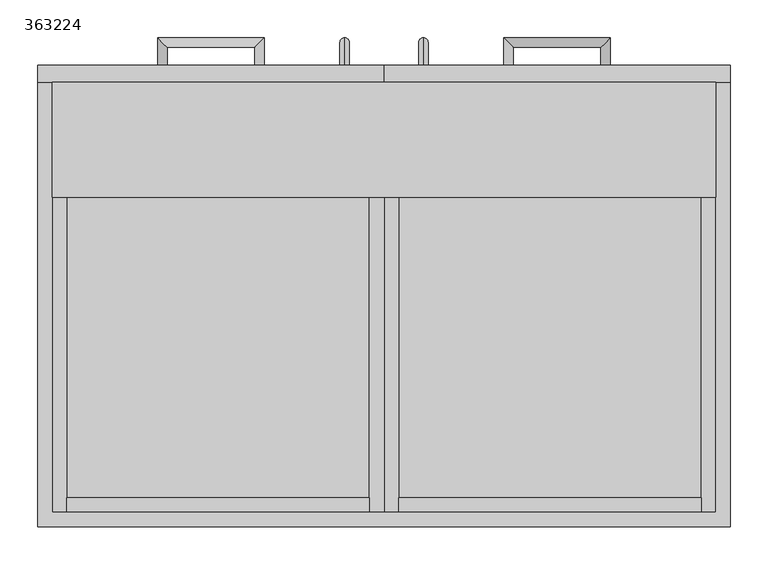
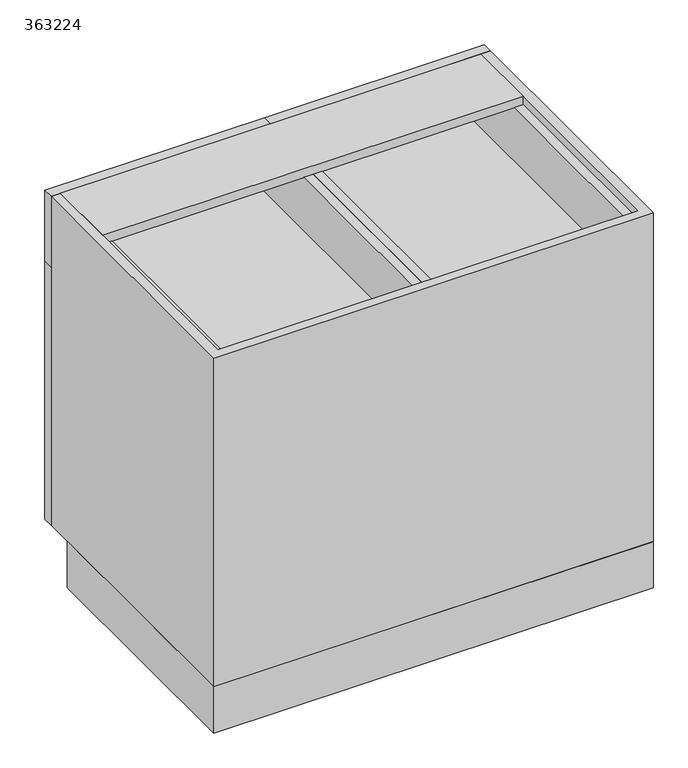
"""IFC4 building model written with IfcOpenShell, lengths in millimetres: furniture geometry, 363224."""

from ifc_helpers import new_model, si_unit, frame, origin, origin_with_axes, place, context, project, spatial, polyline, circle_curve, ellipse_curve, outline, extrude, source, transform, mapped, element, save
from ifc_brep_helpers import plane_surface, cylinder_surface, advanced_brep


def furniture_363224_2f45ea47(model_context):
    return source(origin(), model_context, "Body", "SolidModel", [
        extrude(outline(polyline([(-0.4622951, 19.2), (-400.0622951, 19.2), (-400.0622951, 38.4), (-0.4622951, 38.4), (-0.4622951, 19.2)])), frame((0.0, 0.0, 689.125), z_axis=(0.0, 0.0, 1.0), x_axis=(1.0, 0.0, 0.0)), (0.0, 0.0, 1.0), 117.175),
        extrude(outline(polyline([(806.3, -0.4622951), (689.125, -0.4622951), (689.125, -400.0622951), (806.3, -400.0622951), (806.3, -419.2622951), (669.925, -419.2622951), (669.925, 18.7377049), (806.3, 18.7377049), (806.3, -0.4622951)])), frame((0.0, 19.2, 0.0), z_axis=(0.0, 1.0, 0.0), x_axis=(0.0, 0.0, 1.0)), (0.0, 0.0, 1.0), 568.4),
        extrude(outline(polyline([(37.9377049, 19.2), (37.9377049, 38.4), (437.5377049, 38.4), (437.5377049, 19.2), (37.9377049, 19.2)])), frame((0.0, 0.0, 689.125), z_axis=(0.0, 0.0, 1.0), x_axis=(1.0, 0.0, 0.0)), (0.0, 0.0, 1.0), 117.175),
        extrude(outline(polyline([(806.3, 18.7377049), (669.925, 18.7377049), (669.925, 456.7377049), (806.3, 456.7377049), (806.3, 437.5377049), (689.125, 437.5377049), (689.125, 37.9377049), (806.3, 37.9377049), (806.3, 18.7377049)])), frame((0.0, 19.2, 0.0), z_axis=(0.0, 1.0, 0.0), x_axis=(0.0, 0.0, 1.0)), (0.0, 0.0, 1.0), 568.4),
        extrude(outline(polyline([(-438.4622951, 0.0), (-438.4622951, 528.6), (475.9377049, 528.6), (475.9377049, 0.0), (-438.4622951, 0.0)]), holes=[polyline([(-419.2622951, 509.4), (-419.2622951, 19.2), (456.7377049, 19.2), (456.7377049, 509.4), (-419.2622951, 509.4)])]), origin_with_axes(), (0.0, 0.0, 1.0), 101.6),
        extrude(outline(polyline([(456.7377049, 587.6), (456.7377049, 19.2), (-419.2622951, 19.2), (-419.2622951, 587.6), (456.7377049, 587.6)])), frame((0.0, 0.0, 101.6), z_axis=(0.0, 0.0, 1.0), x_axis=(1.0, 0.0, 0.0)), (0.0, 0.0, 1.0), 19.2),
        extrude(outline(polyline([(9.1377049, 19.2), (9.1377049, 587.6), (28.3377049, 587.6), (28.3377049, 19.2), (9.1377049, 19.2)])), frame((0.0, 0.0, 120.8), z_axis=(0.0, 0.0, 1.0), x_axis=(1.0, 0.0, 0.0)), (0.0, 0.0, 1.0), 549.125),
        advanced_brep(
        [(-33.2622951, 609.6, 564.275), (-33.2622951, 609.6, 551.575), (-33.2622951, 633.25, 551.575), (-33.2622951, 645.95, 564.275), (-33.2622951, 633.25, 436.275), (-33.2622951, 645.95, 423.575), (-33.2622951, 609.6, 423.575), (-33.2622951, 609.6, 436.275)],
        [
            (0, 1, circle_curve(frame((-33.2622951, 609.6, 557.925), z_axis=(0.0, -1.0, 0.0), x_axis=(0.0, 0.0, -1.0)), 6.35)),
            (1, 0, circle_curve(frame((-33.2622951, 609.6, 557.925), z_axis=(0.0, -1.0, 0.0), x_axis=(0.0, 0.0, -1.0)), 6.35)),
            (1, 2),
            (2, 3, ellipse_curve(frame((-33.2622951, 639.6, 557.925), z_axis=(0.0, -0.7071067811865475, 0.7071067811865475), x_axis=(0.0, -0.7071067811865476, -0.7071067811865474)), 8.9802561, 6.35)),
            (3, 0),
            (3, 2, ellipse_curve(frame((-33.2622951, 639.6, 557.925), z_axis=(0.0, -0.7071067811865475, 0.7071067811865475), x_axis=(0.0, -0.7071067811865476, -0.7071067811865474)), 8.9802561, 6.35)),
            (2, 4),
            (4, 5, ellipse_curve(frame((-33.2622951, 639.6, 429.925), z_axis=(0.0, 0.7071067811865475, 0.7071067811865475), x_axis=(0.0, -0.7071067811865474, 0.7071067811865476)), 8.9802561, 6.35)),
            (5, 3),
            (5, 4, ellipse_curve(frame((-33.2622951, 639.6, 429.925), z_axis=(0.0, 0.7071067811865475, 0.7071067811865475), x_axis=(0.0, -0.7071067811865474, 0.7071067811865476)), 8.9802561, 6.35)),
            (6, 7, circle_curve(frame((-33.2622951, 609.6, 429.925), z_axis=(0.0, -1.0, 0.0), x_axis=(0.0, 0.0, 1.0)), 6.35)),
            (7, 6, circle_curve(frame((-33.2622951, 609.6, 429.925), z_axis=(0.0, -1.0, 0.0), x_axis=(0.0, 0.0, 1.0)), 6.35)),
            (4, 7),
            (6, 5),
        ],
        [
            plane_surface(frame((-33.2622951, 609.6, 557.925), z_axis=(0.0, -1.0, 0.0), x_axis=(1.0, 0.0, 0.0))),
            cylinder_surface(frame((-33.2622951, 609.6, 557.925), z_axis=(0.0, -1.0, 0.0), x_axis=(0.0, 0.0, -1.0)), 6.35),
            cylinder_surface(frame((-33.2622951, 639.6, 557.925), z_axis=(0.0, 0.0, 1.0), x_axis=(0.0, -1.0, 0.0)), 6.35),
            plane_surface(frame((-33.2622951, 609.6, 429.925), z_axis=(0.0, -1.0, 0.0), x_axis=(1.0, 0.0, 0.0))),
            cylinder_surface(frame((-33.2622951, 639.6, 429.925), z_axis=(0.0, 1.0, 0.0), x_axis=(0.0, 0.0, 1.0)), 6.35),
        ],
        [
            (0, [[1, 2]]),
            (1, [[3, 4, 5, -2]]),
            (1, [[-5, 6, -3, -1]]),
            (2, [[7, 8, 9, -4]]),
            (2, [[-9, 10, -7, -6]]),
            (3, [[11, 12]]),
            (4, [[13, -11, 14, -8]]),
            (4, [[-14, -12, -13, -10]]),
        ],
    ),
        extrude(outline(polyline([(-419.2622951, 435.2), (-419.2622951, 587.6), (456.7377049, 587.6), (456.7377049, 435.2), (-419.2622951, 435.2)])), frame((0.0, 0.0, 806.3), z_axis=(0.0, 0.0, 1.0), x_axis=(1.0, 0.0, 0.0)), (0.0, 0.0, 1.0), 19.2),
        extrude(outline(polyline([(9.1377049, 587.6), (9.1377049, 19.2), (-419.2622951, 19.2), (-419.2622951, 587.6), (9.1377049, 587.6)])), frame((0.0, 0.0, 385.7625), z_axis=(0.0, 0.0, 1.0), x_axis=(1.0, 0.0, 0.0)), (0.0, 0.0, 1.0), 19.2),
        extrude(outline(polyline([(456.7377049, 587.6), (456.7377049, 19.2), (28.3377049, 19.2), (28.3377049, 587.6), (456.7377049, 587.6)])), frame((0.0, 0.0, 385.7625), z_axis=(0.0, 0.0, 1.0), x_axis=(1.0, 0.0, 0.0)), (0.0, 0.0, 1.0), 19.2),
        advanced_brep(
        [(70.7377049, 609.6, 551.575), (70.7377049, 609.6, 564.275), (70.7377049, 645.95, 564.275), (70.7377049, 633.25, 551.575), (70.7377049, 645.95, 423.575), (70.7377049, 633.25, 436.275), (70.7377049, 609.6, 436.275), (70.7377049, 609.6, 423.575)],
        [
            (0, 1, circle_curve(frame((70.7377049, 609.6, 557.925), z_axis=(0.0, -1.0, 0.0), x_axis=(0.0, 0.0, 1.0)), 6.35)),
            (1, 0, circle_curve(frame((70.7377049, 609.6, 557.925), z_axis=(0.0, -1.0, 0.0), x_axis=(0.0, 0.0, 1.0)), 6.35)),
            (1, 2),
            (2, 3, ellipse_curve(frame((70.7377049, 639.6, 557.925), z_axis=(0.0, -0.7071067811865475, 0.7071067811865475), x_axis=(0.0, -0.7071067811865476, -0.7071067811865474)), 8.9802561, 6.35)),
            (3, 0),
            (3, 2, ellipse_curve(frame((70.7377049, 639.6, 557.925), z_axis=(0.0, -0.7071067811865475, 0.7071067811865475), x_axis=(0.0, -0.7071067811865476, -0.7071067811865474)), 8.9802561, 6.35)),
            (2, 4),
            (4, 5, ellipse_curve(frame((70.7377049, 639.6, 429.925), z_axis=(0.0, 0.7071067811865475, 0.7071067811865475), x_axis=(0.0, -0.7071067811865474, 0.7071067811865476)), 8.9802561, 6.35)),
            (5, 3),
            (5, 4, ellipse_curve(frame((70.7377049, 639.6, 429.925), z_axis=(0.0, 0.7071067811865475, 0.7071067811865475), x_axis=(0.0, -0.7071067811865474, 0.7071067811865476)), 8.9802561, 6.35)),
            (6, 7, circle_curve(frame((70.7377049, 609.6, 429.925), z_axis=(0.0, -1.0, 0.0), x_axis=(0.0, 0.0, -1.0)), 6.35)),
            (7, 6, circle_curve(frame((70.7377049, 609.6, 429.925), z_axis=(0.0, -1.0, 0.0), x_axis=(0.0, 0.0, -1.0)), 6.35)),
            (4, 7),
            (6, 5),
        ],
        [
            plane_surface(frame((70.7377049, 609.6, 557.925), z_axis=(0.0, -1.0, 0.0), x_axis=(-1.0, 0.0, 0.0))),
            cylinder_surface(frame((70.7377049, 609.6, 557.925), z_axis=(0.0, -1.0, 0.0), x_axis=(0.0, 0.0, 1.0)), 6.35),
            cylinder_surface(frame((70.7377049, 639.6, 557.925), z_axis=(0.0, 0.0, 1.0), x_axis=(0.0, 1.0, 0.0)), 6.35),
            plane_surface(frame((70.7377049, 609.6, 429.925), z_axis=(0.0, -1.0, 0.0), x_axis=(-1.0, 0.0, 0.0))),
            cylinder_surface(frame((70.7377049, 639.6, 429.925), z_axis=(0.0, 1.0, 0.0), x_axis=(0.0, 0.0, -1.0)), 6.35),
        ],
        [
            (0, [[1, 2]]),
            (1, [[3, 4, 5, -2]]),
            (1, [[-5, 6, -3, -1]]),
            (2, [[7, 8, 9, -4]]),
            (2, [[-9, 10, -7, -6]]),
            (3, [[11, 12]]),
            (4, [[13, -11, 14, -8]]),
            (4, [[-14, -12, -13, -10]]),
        ],
    ),
        advanced_brep(
        [(-152.2122951, 609.6, 747.7125), (-139.5122951, 609.6, 747.7125), (-139.5122951, 645.95, 747.7125), (-152.2122951, 633.25, 747.7125), (-280.2122951, 645.95, 747.7125), (-267.5122951, 633.25, 747.7125), (-267.5122951, 609.6, 747.7125), (-280.2122951, 609.6, 747.7125)],
        [
            (0, 1, circle_curve(frame((-145.8622951, 609.6, 747.7125), z_axis=(0.0, -1.0, 0.0), x_axis=(1.0, 0.0, 0.0)), 6.35)),
            (1, 0, circle_curve(frame((-145.8622951, 609.6, 747.7125), z_axis=(0.0, -1.0, 0.0), x_axis=(1.0, 0.0, 0.0)), 6.35)),
            (1, 2),
            (2, 3, ellipse_curve(frame((-145.8622951, 639.6, 747.7125), z_axis=(0.7071067811865475, -0.7071067811865475, 0.0), x_axis=(-0.7071067811865474, -0.7071067811865476, 0.0)), 8.9802561, 6.35)),
            (3, 0),
            (3, 2, ellipse_curve(frame((-145.8622951, 639.6, 747.7125), z_axis=(0.7071067811865475, -0.7071067811865475, 0.0), x_axis=(-0.7071067811865474, -0.7071067811865476, 0.0)), 8.9802561, 6.35)),
            (2, 4),
            (4, 5, ellipse_curve(frame((-273.8622951, 639.6, 747.7125), z_axis=(0.7071067811865475, 0.7071067811865475, 0.0), x_axis=(0.7071067811865476, -0.7071067811865474, 0.0)), 8.9802561, 6.35)),
            (5, 3),
            (5, 4, ellipse_curve(frame((-273.8622951, 639.6, 747.7125), z_axis=(0.7071067811865475, 0.7071067811865475, 0.0), x_axis=(0.7071067811865476, -0.7071067811865474, 0.0)), 8.9802561, 6.35)),
            (6, 7, circle_curve(frame((-273.8622951, 609.6, 747.7125), z_axis=(0.0, -1.0, 0.0), x_axis=(-1.0, 0.0, 0.0)), 6.35)),
            (7, 6, circle_curve(frame((-273.8622951, 609.6, 747.7125), z_axis=(0.0, -1.0, 0.0), x_axis=(-1.0, 0.0, 0.0)), 6.35)),
            (4, 7),
            (6, 5),
        ],
        [
            plane_surface(frame((-145.8622951, 609.6, 747.7125), z_axis=(0.0, -1.0, 0.0), x_axis=(0.0, 0.0, 1.0))),
            cylinder_surface(frame((-145.8622951, 609.6, 747.7125), z_axis=(0.0, -1.0, 0.0), x_axis=(1.0, 0.0, 0.0)), 6.35),
            cylinder_surface(frame((-145.8622951, 639.6, 747.7125), z_axis=(1.0, 0.0, 0.0), x_axis=(0.0, 1.0, 0.0)), 6.35),
            plane_surface(frame((-273.8622951, 609.6, 747.7125), z_axis=(0.0, -1.0, 0.0), x_axis=(0.0, 0.0, 1.0))),
            cylinder_surface(frame((-273.8622951, 639.6, 747.7125), z_axis=(0.0, 1.0, 0.0), x_axis=(-1.0, 0.0, 0.0)), 6.35),
        ],
        [
            (0, [[1, 2]]),
            (1, [[3, 4, 5, -2]]),
            (1, [[-5, 6, -3, -1]]),
            (2, [[7, 8, 9, -4]]),
            (2, [[-9, 10, -7, -6]]),
            (3, [[11, 12]]),
            (4, [[13, -11, 14, -8]]),
            (4, [[-14, -12, -13, -10]]),
        ],
    ),
        advanced_brep(
        [(176.9877049, 609.6, 747.7125), (189.6877049, 609.6, 747.7125), (189.6877049, 633.25, 747.7125), (176.9877049, 645.95, 747.7125), (304.9877049, 633.25, 747.7125), (317.6877049, 645.95, 747.7125), (317.6877049, 609.6, 747.7125), (304.9877049, 609.6, 747.7125)],
        [
            (0, 1, circle_curve(frame((183.3377049, 609.6, 747.7125), z_axis=(0.0, -1.0, 0.0), x_axis=(1.0, 0.0, 0.0)), 6.35)),
            (1, 0, circle_curve(frame((183.3377049, 609.6, 747.7125), z_axis=(0.0, -1.0, 0.0), x_axis=(1.0, 0.0, 0.0)), 6.35)),
            (1, 2),
            (2, 3, ellipse_curve(frame((183.3377049, 639.6, 747.7125), z_axis=(-0.7071067811865475, -0.7071067811865475, 0.0), x_axis=(0.7071067811865474, -0.7071067811865476, 0.0)), 8.9802561, 6.35)),
            (3, 0),
            (3, 2, ellipse_curve(frame((183.3377049, 639.6, 747.7125), z_axis=(-0.7071067811865475, -0.7071067811865475, 0.0), x_axis=(0.7071067811865474, -0.7071067811865476, 0.0)), 8.9802561, 6.35)),
            (2, 4),
            (4, 5, ellipse_curve(frame((311.3377049, 639.6, 747.7125), z_axis=(-0.7071067811865475, 0.7071067811865475, 0.0), x_axis=(-0.7071067811865476, -0.7071067811865474, 0.0)), 8.9802561, 6.35)),
            (5, 3),
            (5, 4, ellipse_curve(frame((311.3377049, 639.6, 747.7125), z_axis=(-0.7071067811865475, 0.7071067811865475, 0.0), x_axis=(-0.7071067811865476, -0.7071067811865474, 0.0)), 8.9802561, 6.35)),
            (6, 7, circle_curve(frame((311.3377049, 609.6, 747.7125), z_axis=(0.0, -1.0, 0.0), x_axis=(-1.0, 0.0, 0.0)), 6.35)),
            (7, 6, circle_curve(frame((311.3377049, 609.6, 747.7125), z_axis=(0.0, -1.0, 0.0), x_axis=(-1.0, 0.0, 0.0)), 6.35)),
            (4, 7),
            (6, 5),
        ],
        [
            plane_surface(frame((183.3377049, 609.6, 747.7125), z_axis=(0.0, -1.0, 0.0), x_axis=(0.0, 0.0, 1.0))),
            cylinder_surface(frame((183.3377049, 609.6, 747.7125), z_axis=(0.0, -1.0, 0.0), x_axis=(1.0, 0.0, 0.0)), 6.35),
            cylinder_surface(frame((183.3377049, 639.6, 747.7125), z_axis=(-1.0, 0.0, 0.0), x_axis=(0.0, -1.0, 0.0)), 6.35),
            plane_surface(frame((311.3377049, 609.6, 747.7125), z_axis=(0.0, -1.0, 0.0), x_axis=(0.0, 0.0, 1.0))),
            cylinder_surface(frame((311.3377049, 639.6, 747.7125), z_axis=(0.0, 1.0, 0.0), x_axis=(-1.0, 0.0, 0.0)), 6.35),
        ],
        [
            (0, [[1, 2]]),
            (1, [[3, 4, 5, -2]]),
            (1, [[-5, 6, -3, -1]]),
            (2, [[7, 8, 9, -4]]),
            (2, [[-9, 10, -7, -6]]),
            (3, [[11, 12]]),
            (4, [[13, -11, 14, -8]]),
            (4, [[-14, -12, -13, -10]]),
        ],
    ),
        extrude(outline(polyline([(18.7377049, 609.6), (475.9377049, 609.6), (475.9377049, 587.6), (18.7377049, 587.6), (18.7377049, 609.6)])), frame((0.0, 0.0, 669.925), z_axis=(0.0, 0.0, 1.0), x_axis=(1.0, 0.0, 0.0)), (0.0, 0.0, 1.0), 155.575),
        extrude(outline(polyline([(18.7377049, 587.6), (-438.4622951, 587.6), (-438.4622951, 609.6), (18.7377049, 609.6), (18.7377049, 587.6)])), frame((0.0, 0.0, 669.925), z_axis=(0.0, 0.0, 1.0), x_axis=(1.0, 0.0, 0.0)), (0.0, 0.0, 1.0), 155.575),
        extrude(outline(polyline([(18.7377049, 587.6), (18.7377049, 609.6), (475.9377049, 609.6), (475.9377049, 587.6), (18.7377049, 587.6)])), frame((0.0, 0.0, 101.6), z_axis=(0.0, 0.0, 1.0), x_axis=(1.0, 0.0, 0.0)), (0.0, 0.0, 1.0), 568.325),
        extrude(outline(polyline([(-438.4622951, 587.6), (-438.4622951, 609.6), (18.7377049, 609.6), (18.7377049, 587.6), (-438.4622951, 587.6)])), frame((0.0, 0.0, 101.6), z_axis=(0.0, 0.0, 1.0), x_axis=(1.0, 0.0, 0.0)), (0.0, 0.0, 1.0), 568.325),
        extrude(outline(polyline([(475.9377049, 587.6), (475.9377049, 0.0), (-438.4622951, 0.0), (-438.4622951, 587.6), (-419.2622951, 587.6), (-419.2622951, 19.2), (456.7377049, 19.2), (456.7377049, 587.6), (475.9377049, 587.6)])), frame((0.0, 0.0, 101.6), z_axis=(0.0, 0.0, 1.0), x_axis=(1.0, 0.0, 0.0)), (0.0, 0.0, 1.0), 723.9),
    ])


if __name__ == "__main__":
    model = new_model("IFC4")
    model_context = context("Model", 3, world=origin())
    ifc_project = project(units=[si_unit("LENGTHUNIT", "METRE", prefix="MILLI")], contexts=[model_context])
    site = spatial("IfcSite", under=ifc_project)
    building = spatial("IfcBuilding", under=site)
    placement = place(None, origin())
    furniture_363224_shape = furniture_363224_2f45ea47(model_context)
    element("IfcFurniture", 1, ObjectType="363224", at=placement, inside=building, context=model_context, shape_type="MappedRepresentation", body=[
        mapped(furniture_363224_shape, transform((0.0, 0.0, 0.0), x_axis=(1.0, 0.0, 0.0), y_axis=(0.0, 1.0, 0.0), z_axis=(0.0, 0.0, 1.0))),
    ])
    save(model, "model.ifc")
